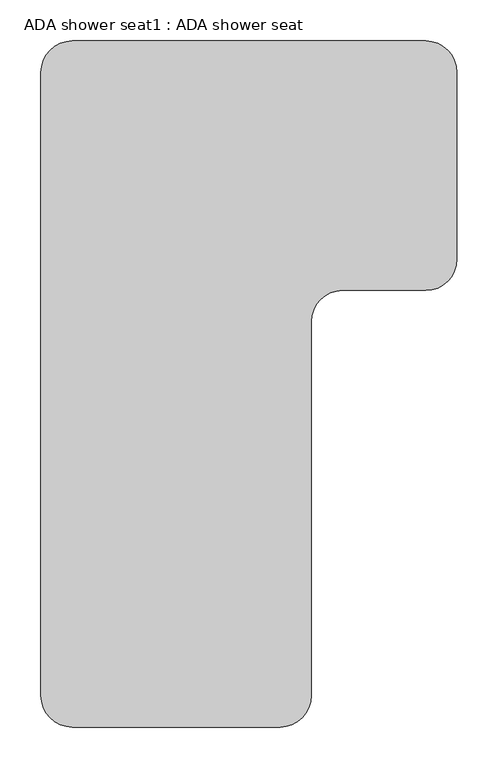
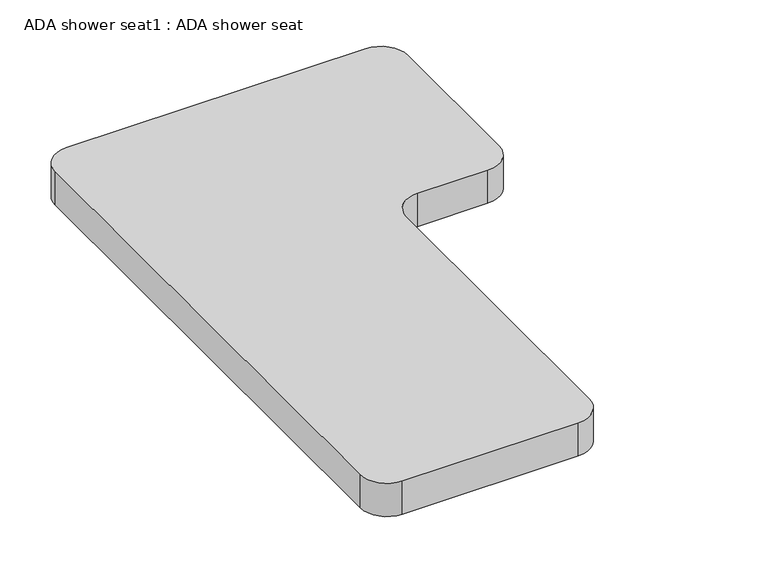
"""IFC4 building model written with IfcOpenShell, lengths in millimetres: proxy geometry, ADA shower seat1 : ADA shower seat."""

import ifcopenshell
import ifcopenshell.guid

model = None  # the IFC model being written
_history = None  # IfcOwnerHistory: only IFC2X3 demands one
_inside = {}  # id of a spatial element -> (the spatial element, [elements in it])
_under = {}  # id of a project, library or spatial element -> (it, [spatial elements below it])
_declared = {}  # id of a project -> (the project, [libraries it declares])
_typed = {}  # id of a type object -> (the type object, [elements of that type])
_made_of = {}  # id of a material, layer set ... -> (it, [elements and type objects made of it])


def new_model(schema):
    """Start an empty IFC model of exactly this schema.

    Asked for "IFC4X3", IfcOpenShell would pick the latest addendum, in which some entities
    have other attributes; the version numbers below select the first issue.
    IFC2X3 requires an IfcOwnerHistory on every rooted entity: one is made here for all.
    """
    global model, _history
    if schema == "IFC4X3":
        model = ifcopenshell.file(schema_version=(4, 3, 0, 0))
    else:
        model = ifcopenshell.file(schema=schema)
    _inside.clear()
    _under.clear()
    _declared.clear()
    _typed.clear()
    _made_of.clear()
    _history = None
    if model.schema == "IFC2X3":
        org = make("IfcOrganization", Name="unknown")
        user = make(
            "IfcPersonAndOrganization",
            ThePerson=make("IfcPerson", FamilyName="unknown"),
            TheOrganization=org,
        )
        app = make(
            "IfcApplication",
            ApplicationDeveloper=org,
            Version="unknown",
            ApplicationFullName="unknown",
            ApplicationIdentifier="unknown",
        )
        _history = make(
            "IfcOwnerHistory",
            OwningUser=user,
            OwningApplication=app,
            ChangeAction="ADDED",
            CreationDate=0,
        )
    return model


def make(cls, **values):
    """One entity of the class cls with the attributes given. An attribute that is None is left unset."""
    return model.create_entity(
        cls, **{name: value for name, value in values.items() if value is not None}
    )


def rooted(cls, **values):
    """An entity with a GlobalId (a new one), such as an element, a storey or a relation."""
    return make(cls, GlobalId=ifcopenshell.guid.new(), OwnerHistory=_history, **values)


def si_unit(unit_type, name, prefix=None):
    """IfcSIUnit, for example si_unit("LENGTHUNIT", "METRE", prefix="MILLI")."""
    return make("IfcSIUnit", UnitType=unit_type, Prefix=prefix, Name=name)


def assignment(units):
    """IfcUnitAssignment: the units of a project."""
    return None if units is None else make("IfcUnitAssignment", Units=units)


def point(xyz):
    """IfcCartesianPoint."""
    return None if xyz is None else make("IfcCartesianPoint", Coordinates=xyz)


def direction(xyz):
    """IfcDirection."""
    return None if xyz is None else make("IfcDirection", DirectionRatios=xyz)


def frame(location, z_axis=None, x_axis=None):
    """IfcAxis2Placement3D, a coordinate frame: its origin and axes. An axis left out is left unset."""
    return make(
        "IfcAxis2Placement3D",
        Location=point(location),
        Axis=direction(z_axis),
        RefDirection=direction(x_axis),
    )


def frame_2d(location, x_axis=None):
    """IfcAxis2Placement2D, a coordinate frame in the plane: its origin and x axis."""
    return make(
        "IfcAxis2Placement2D", Location=point(location), RefDirection=direction(x_axis)
    )


def origin():
    """The frame at (0, 0, 0) with its axes left unset."""
    return frame((0.0, 0.0, 0.0))


def place(relative_to, where):
    """IfcLocalPlacement: puts the frame where relative to a parent placement (None: the world)."""
    return make(
        "IfcLocalPlacement", PlacementRelTo=relative_to, RelativePlacement=where
    )


def context(
    kind, dimensions, precision=None, world=None, true_north=None, identifier=None
):
    """IfcGeometricRepresentationContext, for example the 3D "Model" context."""
    return make(
        "IfcGeometricRepresentationContext",
        ContextIdentifier=identifier,
        ContextType=kind,
        CoordinateSpaceDimension=dimensions,
        Precision=precision,
        WorldCoordinateSystem=world,
        TrueNorth=true_north,
    )


def project(units=None, contexts=None):
    """IfcProject with its units and contexts."""
    return rooted(
        "IfcProject",
        Name="project",
        RepresentationContexts=contexts,
        UnitsInContext=assignment(units),
    )


def spatial(cls, under=None, at=None, **own):
    """A site, building, storey or space (cls), placed at a placement, below another one or the project."""
    s = rooted(cls, ObjectPlacement=at, **own)
    if under is not None:
        _under.setdefault(under.id(), (under, []))[1].append(s)
    return s


def polyline(points):
    """IfcPolyline through the points."""
    return make("IfcPolyline", Points=[point(p) for p in points])


def circle_curve(where, radius):
    """IfcCircle in the frame where."""
    return make("IfcCircle", Position=where, Radius=radius)


def trimmed(basis, trim1, trim2, sense, master):
    """IfcTrimmedCurve: the piece of a basis curve between two trims."""
    return make(
        "IfcTrimmedCurve",
        BasisCurve=basis,
        Trim1=trim1,
        Trim2=trim2,
        SenseAgreement=sense,
        MasterRepresentation=master,
    )


def segment(curve, same_sense, transition):
    """IfcCompositeCurveSegment."""
    return make(
        "IfcCompositeCurveSegment",
        Transition=transition,
        SameSense=same_sense,
        ParentCurve=curve,
    )


def composite_curve(segments, self_intersect=None):
    """IfcCompositeCurve: segments joined end to end."""
    return make("IfcCompositeCurve", Segments=segments, SelfIntersect=self_intersect)


def outline(outer, holes=None, kind="AREA"):
    """IfcArbitraryClosedProfileDef: a profile drawn as a closed curve; with holes, ...WithVoids."""
    if holes is None:
        return make("IfcArbitraryClosedProfileDef", ProfileType=kind, OuterCurve=outer)
    return make(
        "IfcArbitraryProfileDefWithVoids",
        ProfileType=kind,
        OuterCurve=outer,
        InnerCurves=holes,
    )


def extrude(swept, where, along, depth):
    """IfcExtrudedAreaSolid: the profile swept, set in the frame where, extruded along a direction by depth."""
    return make(
        "IfcExtrudedAreaSolid",
        SweptArea=swept,
        Position=where,
        ExtrudedDirection=direction(along),
        Depth=depth,
    )


def shape(context_of_items, identifier, shape_type, items):
    """IfcShapeRepresentation: the items that make up one representation, for example the "Body"."""
    return make(
        "IfcShapeRepresentation",
        ContextOfItems=context_of_items,
        RepresentationIdentifier=identifier,
        RepresentationType=shape_type,
        Items=items,
    )


def source(mapping_origin, context_of_items, identifier, shape_type, items):
    """IfcRepresentationMap: a shape defined once, which mapped items show again and again."""
    return make(
        "IfcRepresentationMap",
        MappingOrigin=mapping_origin,
        MappedRepresentation=shape(context_of_items, identifier, shape_type, items),
    )


def transform(
    local_origin,
    x_axis=None,
    y_axis=None,
    z_axis=None,
    scale=None,
    scale2=None,
    scale3=None,
    uniform=True,
):
    """IfcCartesianTransformationOperator3D, or its non-uniform kind. x_axis, y_axis, z_axis: its Axis1, 2, 3."""
    if uniform:
        return make(
            "IfcCartesianTransformationOperator3D",
            Axis1=direction(x_axis),
            Axis2=direction(y_axis),
            LocalOrigin=point(local_origin),
            Scale=scale,
            Axis3=direction(z_axis),
        )
    return make(
        "IfcCartesianTransformationOperator3DnonUniform",
        Axis1=direction(x_axis),
        Axis2=direction(y_axis),
        LocalOrigin=point(local_origin),
        Scale=scale,
        Axis3=direction(z_axis),
        Scale2=scale2,
        Scale3=scale3,
    )


def mapped(mapping_source, mapping_target):
    """IfcMappedItem: shows the shape of a source again, moved by a transform."""
    return make(
        "IfcMappedItem", MappingSource=mapping_source, MappingTarget=mapping_target
    )


def made_of(thing, what):
    """Note that an element or type object is made of a material, layer set ...; save() writes the relation."""
    if what is not None:
        _made_of.setdefault(what.id(), (what, []))[1].append(thing)
    return thing


def element(
    cls,
    number,
    at=None,
    inside=None,
    cuts=None,
    type_object=None,
    material=None,
    context=None,
    identifier="Body",
    shape_type=None,
    held_by="IfcProductDefinitionShape",
    body=None,
    shapes=None,
    **own,
):
    """One element of the class cls, such as IfcWall. Its Tag is "e" and its number.

    at: its placement. inside: the storey or other place that contains it. cuts: it is an
    opening in that element (IfcRelVoidsElement). A single representation is given by context,
    identifier, shape_type and body (its items); several are given by shapes. held_by: the class
    of the entity that holds the representations. save() writes the other relations.
    """
    e = rooted(cls, Tag="e%d" % number, ObjectPlacement=at, **own)
    if body is not None:
        shapes = [shape(context, identifier, shape_type, body)]
    if shapes is not None:
        e.Representation = make(held_by, Representations=shapes)
    if inside is not None:
        _inside.setdefault(inside.id(), (inside, []))[1].append(e)
    if cuts is not None:
        rooted(
            "IfcRelVoidsElement", RelatingBuildingElement=cuts, RelatedOpeningElement=e
        )
    if type_object is not None:
        _typed.setdefault(type_object.id(), (type_object, []))[1].append(e)
    return made_of(e, material)


def aggregate(whole, parts):
    """IfcRelAggregates: a whole, such as a stair, and the parts it consists of."""
    return rooted("IfcRelAggregates", RelatingObject=whole, RelatedObjects=parts)


def save(model, path):
    """Write the relations noted so far, then the file.

    IfcRelAggregates (storeys below a building ...), IfcRelContainedInSpatialStructure (elements
    in a storey), IfcRelDefinesByType, IfcRelAssociatesMaterial and IfcRelDeclares: one each for
    every whole, place, type object, material and project.
    """
    for whole, parts in _under.values():
        aggregate(whole, parts)
    for where, things in _inside.values():
        rooted(
            "IfcRelContainedInSpatialStructure",
            RelatedElements=things,
            RelatingStructure=where,
        )
    for kind, things in _typed.values():
        rooted("IfcRelDefinesByType", RelatedObjects=things, RelatingType=kind)
    for what, things in _made_of.values():
        rooted("IfcRelAssociatesMaterial", RelatedObjects=things, RelatingMaterial=what)
    for by, libraries in _declared.values():
        rooted("IfcRelDeclares", RelatingContext=by, RelatedDefinitions=libraries)
    model.write(path)


def ada_shower_seat1_ada_shower_seat_e52409aa(model_context):
    return source(origin(), model_context, "Body", "SweptSolid", [
        extrude(outline(composite_curve([segment(trimmed(circle_curve(frame_2d((-9672.046679, 52266.85)), 38.1), [point((-9672.046679, 52304.95))], [point((-9633.946679, 52266.85))], False, "CARTESIAN"), True, "CONTINUOUS"), segment(polyline([(-9633.946679, 52266.85), (-9633.946679, 52038.25)]), True, "CONTINUOUS"), segment(trimmed(circle_curve(frame_2d((-9672.046679, 52038.25)), 38.1), [point((-9633.946679, 52038.25))], [point((-9672.046679, 52000.15))], False, "CARTESIAN"), True, "CONTINUOUS"), segment(polyline([(-9672.046679, 52000.15), (-9773.646679, 52000.15)]), True, "CONTINUOUS"), segment(trimmed(circle_curve(frame_2d((-9773.646679, 51962.05)), 38.1), [point((-9773.646679, 52000.15))], [point((-9811.746679, 51962.05))], True, "CARTESIAN"), True, "CONTINUOUS"), segment(polyline([(-9811.746679, 51962.05), (-9811.746679, 51504.85)]), True, "CONTINUOUS"), segment(trimmed(circle_curve(frame_2d((-9849.846679, 51504.85)), 38.1), [point((-9811.746679, 51504.85))], [point((-9849.846679, 51466.75))], False, "CARTESIAN"), True, "CONTINUOUS"), segment(polyline([(-9849.846679, 51466.75), (-10103.846679, 51466.75)]), True, "CONTINUOUS"), segment(trimmed(circle_curve(frame_2d((-10103.846679, 51504.85)), 38.1), [point((-10103.846679, 51466.75))], [point((-10141.946679, 51504.85))], False, "CARTESIAN"), True, "CONTINUOUS"), segment(polyline([(-10141.946679, 51504.85), (-10141.946679, 52266.85)]), True, "CONTINUOUS"), segment(trimmed(circle_curve(frame_2d((-10103.846679, 52266.85)), 38.1), [point((-10141.946679, 52266.85))], [point((-10103.846679, 52304.95))], False, "CARTESIAN"), True, "CONTINUOUS"), segment(polyline([(-10103.846679, 52304.95), (-9672.046679, 52304.95)]), True, "CONTINUOUS")], self_intersect=False)), frame((0.0, 0.0, 406.4), z_axis=(0.0, 0.0, 1.0), x_axis=(1.0, 0.0, 0.0)), (0.0, 0.0, 1.0), 50.8),
    ])


if __name__ == "__main__":
    model = new_model("IFC4")
    model_context = context("Model", 3, world=origin())
    ifc_project = project(units=[si_unit("LENGTHUNIT", "METRE", prefix="MILLI")], contexts=[model_context])
    site = spatial("IfcSite", under=ifc_project)
    building = spatial("IfcBuilding", under=site)
    placement = place(None, origin())
    ada_shower_seat1_ada_shower_seat_shape = ada_shower_seat1_ada_shower_seat_e52409aa(model_context)
    element("IfcBuildingElementProxy", 1, Name="ADA shower seat1 : ADA shower seat", ObjectType="ADA shower seat1 : ADA shower seat", at=placement, inside=building, context=model_context, shape_type="MappedRepresentation", body=[
        mapped(ada_shower_seat1_ada_shower_seat_shape, transform((0.0, 0.0, 0.0), x_axis=(1.0, 0.0, 0.0), y_axis=(0.0, 1.0, 0.0), z_axis=(0.0, 0.0, 1.0))),
    ])
    save(model, "model.ifc")
